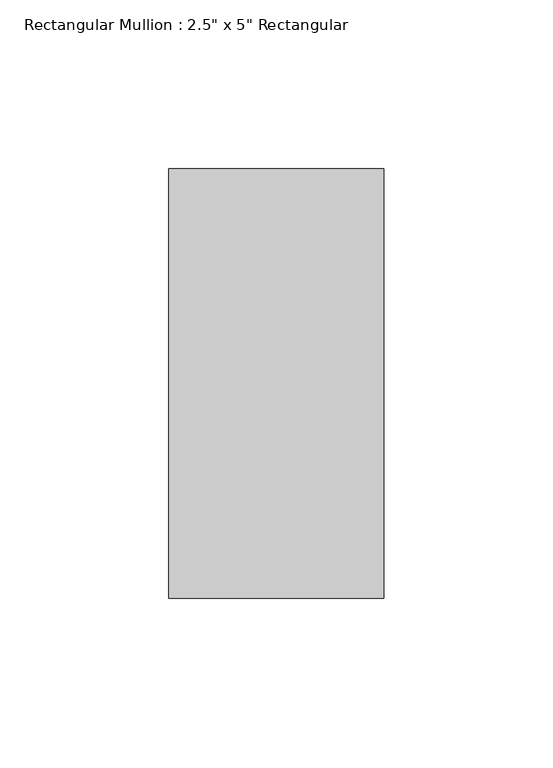
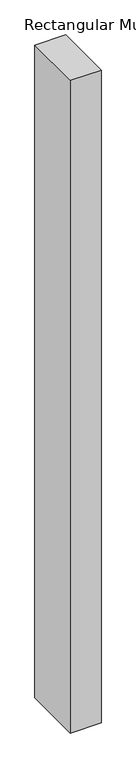
"""IFC4 building model written with IfcOpenShell, lengths in millimetres: member geometry."""

import ifcopenshell
import ifcopenshell.guid

model = None  # the IFC model being written
_history = None  # IfcOwnerHistory: only IFC2X3 demands one
_inside = {}  # id of a spatial element -> (the spatial element, [elements in it])
_under = {}  # id of a project, library or spatial element -> (it, [spatial elements below it])
_declared = {}  # id of a project -> (the project, [libraries it declares])
_typed = {}  # id of a type object -> (the type object, [elements of that type])
_made_of = {}  # id of a material, layer set ... -> (it, [elements and type objects made of it])


def new_model(schema):
    """Start an empty IFC model of exactly this schema.

    Asked for "IFC4X3", IfcOpenShell would pick the latest addendum, in which some entities
    have other attributes; the version numbers below select the first issue.
    IFC2X3 requires an IfcOwnerHistory on every rooted entity: one is made here for all.
    """
    global model, _history
    if schema == "IFC4X3":
        model = ifcopenshell.file(schema_version=(4, 3, 0, 0))
    else:
        model = ifcopenshell.file(schema=schema)
    _inside.clear()
    _under.clear()
    _declared.clear()
    _typed.clear()
    _made_of.clear()
    _history = None
    if model.schema == "IFC2X3":
        org = make("IfcOrganization", Name="unknown")
        user = make(
            "IfcPersonAndOrganization",
            ThePerson=make("IfcPerson", FamilyName="unknown"),
            TheOrganization=org,
        )
        app = make(
            "IfcApplication",
            ApplicationDeveloper=org,
            Version="unknown",
            ApplicationFullName="unknown",
            ApplicationIdentifier="unknown",
        )
        _history = make(
            "IfcOwnerHistory",
            OwningUser=user,
            OwningApplication=app,
            ChangeAction="ADDED",
            CreationDate=0,
        )
    return model


def make(cls, **values):
    """One entity of the class cls with the attributes given. An attribute that is None is left unset."""
    return model.create_entity(
        cls, **{name: value for name, value in values.items() if value is not None}
    )


def rooted(cls, **values):
    """An entity with a GlobalId (a new one), such as an element, a storey or a relation."""
    return make(cls, GlobalId=ifcopenshell.guid.new(), OwnerHistory=_history, **values)


def si_unit(unit_type, name, prefix=None):
    """IfcSIUnit, for example si_unit("LENGTHUNIT", "METRE", prefix="MILLI")."""
    return make("IfcSIUnit", UnitType=unit_type, Prefix=prefix, Name=name)


def assignment(units):
    """IfcUnitAssignment: the units of a project."""
    return None if units is None else make("IfcUnitAssignment", Units=units)


def point(xyz):
    """IfcCartesianPoint."""
    return None if xyz is None else make("IfcCartesianPoint", Coordinates=xyz)


def direction(xyz):
    """IfcDirection."""
    return None if xyz is None else make("IfcDirection", DirectionRatios=xyz)


def frame(location, z_axis=None, x_axis=None):
    """IfcAxis2Placement3D, a coordinate frame: its origin and axes. An axis left out is left unset."""
    return make(
        "IfcAxis2Placement3D",
        Location=point(location),
        Axis=direction(z_axis),
        RefDirection=direction(x_axis),
    )


def origin():
    """The frame at (0, 0, 0) with its axes left unset."""
    return frame((0.0, 0.0, 0.0))


def place(relative_to, where):
    """IfcLocalPlacement: puts the frame where relative to a parent placement (None: the world)."""
    return make(
        "IfcLocalPlacement", PlacementRelTo=relative_to, RelativePlacement=where
    )


def context(
    kind, dimensions, precision=None, world=None, true_north=None, identifier=None
):
    """IfcGeometricRepresentationContext, for example the 3D "Model" context."""
    return make(
        "IfcGeometricRepresentationContext",
        ContextIdentifier=identifier,
        ContextType=kind,
        CoordinateSpaceDimension=dimensions,
        Precision=precision,
        WorldCoordinateSystem=world,
        TrueNorth=true_north,
    )


def project(units=None, contexts=None):
    """IfcProject with its units and contexts."""
    return rooted(
        "IfcProject",
        Name="project",
        RepresentationContexts=contexts,
        UnitsInContext=assignment(units),
    )


def spatial(cls, under=None, at=None, **own):
    """A site, building, storey or space (cls), placed at a placement, below another one or the project."""
    s = rooted(cls, ObjectPlacement=at, **own)
    if under is not None:
        _under.setdefault(under.id(), (under, []))[1].append(s)
    return s


def polyline(points):
    """IfcPolyline through the points."""
    return make("IfcPolyline", Points=[point(p) for p in points])


def outline(outer, holes=None, kind="AREA"):
    """IfcArbitraryClosedProfileDef: a profile drawn as a closed curve; with holes, ...WithVoids."""
    if holes is None:
        return make("IfcArbitraryClosedProfileDef", ProfileType=kind, OuterCurve=outer)
    return make(
        "IfcArbitraryProfileDefWithVoids",
        ProfileType=kind,
        OuterCurve=outer,
        InnerCurves=holes,
    )


def extrude(swept, where, along, depth):
    """IfcExtrudedAreaSolid: the profile swept, set in the frame where, extruded along a direction by depth."""
    return make(
        "IfcExtrudedAreaSolid",
        SweptArea=swept,
        Position=where,
        ExtrudedDirection=direction(along),
        Depth=depth,
    )


def shape(context_of_items, identifier, shape_type, items):
    """IfcShapeRepresentation: the items that make up one representation, for example the "Body"."""
    return make(
        "IfcShapeRepresentation",
        ContextOfItems=context_of_items,
        RepresentationIdentifier=identifier,
        RepresentationType=shape_type,
        Items=items,
    )


def source(mapping_origin, context_of_items, identifier, shape_type, items):
    """IfcRepresentationMap: a shape defined once, which mapped items show again and again."""
    return make(
        "IfcRepresentationMap",
        MappingOrigin=mapping_origin,
        MappedRepresentation=shape(context_of_items, identifier, shape_type, items),
    )


def transform(
    local_origin,
    x_axis=None,
    y_axis=None,
    z_axis=None,
    scale=None,
    scale2=None,
    scale3=None,
    uniform=True,
):
    """IfcCartesianTransformationOperator3D, or its non-uniform kind. x_axis, y_axis, z_axis: its Axis1, 2, 3."""
    if uniform:
        return make(
            "IfcCartesianTransformationOperator3D",
            Axis1=direction(x_axis),
            Axis2=direction(y_axis),
            LocalOrigin=point(local_origin),
            Scale=scale,
            Axis3=direction(z_axis),
        )
    return make(
        "IfcCartesianTransformationOperator3DnonUniform",
        Axis1=direction(x_axis),
        Axis2=direction(y_axis),
        LocalOrigin=point(local_origin),
        Scale=scale,
        Axis3=direction(z_axis),
        Scale2=scale2,
        Scale3=scale3,
    )


def mapped(mapping_source, mapping_target):
    """IfcMappedItem: shows the shape of a source again, moved by a transform."""
    return make(
        "IfcMappedItem", MappingSource=mapping_source, MappingTarget=mapping_target
    )


def made_of(thing, what):
    """Note that an element or type object is made of a material, layer set ...; save() writes the relation."""
    if what is not None:
        _made_of.setdefault(what.id(), (what, []))[1].append(thing)
    return thing


def element(
    cls,
    number,
    at=None,
    inside=None,
    cuts=None,
    type_object=None,
    material=None,
    context=None,
    identifier="Body",
    shape_type=None,
    held_by="IfcProductDefinitionShape",
    body=None,
    shapes=None,
    **own,
):
    """One element of the class cls, such as IfcWall. Its Tag is "e" and its number.

    at: its placement. inside: the storey or other place that contains it. cuts: it is an
    opening in that element (IfcRelVoidsElement). A single representation is given by context,
    identifier, shape_type and body (its items); several are given by shapes. held_by: the class
    of the entity that holds the representations. save() writes the other relations.
    """
    e = rooted(cls, Tag="e%d" % number, ObjectPlacement=at, **own)
    if body is not None:
        shapes = [shape(context, identifier, shape_type, body)]
    if shapes is not None:
        e.Representation = make(held_by, Representations=shapes)
    if inside is not None:
        _inside.setdefault(inside.id(), (inside, []))[1].append(e)
    if cuts is not None:
        rooted(
            "IfcRelVoidsElement", RelatingBuildingElement=cuts, RelatedOpeningElement=e
        )
    if type_object is not None:
        _typed.setdefault(type_object.id(), (type_object, []))[1].append(e)
    return made_of(e, material)


def aggregate(whole, parts):
    """IfcRelAggregates: a whole, such as a stair, and the parts it consists of."""
    return rooted("IfcRelAggregates", RelatingObject=whole, RelatedObjects=parts)


def save(model, path):
    """Write the relations noted so far, then the file.

    IfcRelAggregates (storeys below a building ...), IfcRelContainedInSpatialStructure (elements
    in a storey), IfcRelDefinesByType, IfcRelAssociatesMaterial and IfcRelDeclares: one each for
    every whole, place, type object, material and project.
    """
    for whole, parts in _under.values():
        aggregate(whole, parts)
    for where, things in _inside.values():
        rooted(
            "IfcRelContainedInSpatialStructure",
            RelatedElements=things,
            RelatingStructure=where,
        )
    for kind, things in _typed.values():
        rooted("IfcRelDefinesByType", RelatedObjects=things, RelatingType=kind)
    for what, things in _made_of.values():
        rooted("IfcRelAssociatesMaterial", RelatedObjects=things, RelatingMaterial=what)
    for by, libraries in _declared.values():
        rooted("IfcRelDeclares", RelatingContext=by, RelatedDefinitions=libraries)
    model.write(path)


def member_6df10a9f(model_context):
    return source(origin(), model_context, "Body", "SweptSolid", [
        extrude(outline(polyline([(31.75, 63.5), (31.75, -63.5), (-31.75, -63.5), (-31.75, 63.5), (31.75, 63.5)])), frame((0.0, 0.0, -1428.75), z_axis=(0.0, 0.0, 1.0), x_axis=(1.0, 0.0, 0.0)), (0.0, 0.0, 1.0), 1428.75),
    ])


if __name__ == "__main__":
    model = new_model("IFC4")
    model_context = context("Model", 3, world=origin())
    ifc_project = project(units=[si_unit("LENGTHUNIT", "METRE", prefix="MILLI")], contexts=[model_context])
    site = spatial("IfcSite", under=ifc_project)
    building = spatial("IfcBuilding", under=site)
    placement = place(None, origin())
    member_shape = member_6df10a9f(model_context)
    element("IfcMember", 1, ObjectType="Rectangular Mullion : 2.5\" x 5\" Rectangular", at=placement, inside=building, context=model_context, shape_type="MappedRepresentation", body=[
        mapped(member_shape, transform((0.0, 0.0, 0.0), x_axis=(1.0, 0.0, 0.0), y_axis=(0.0, 1.0, 0.0), z_axis=(0.0, 0.0, 1.0))),
    ])
    save(model, "model.ifc")
